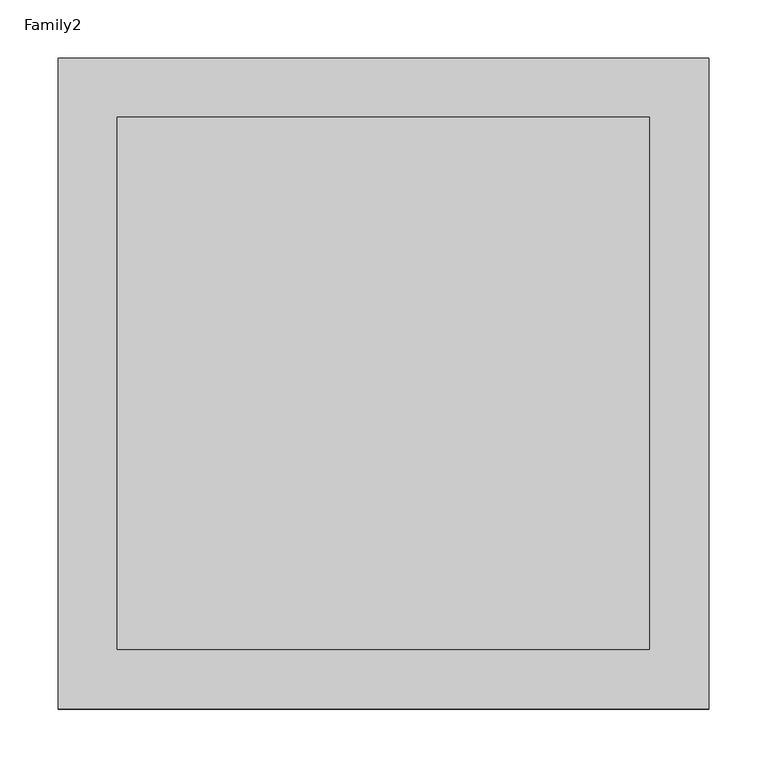
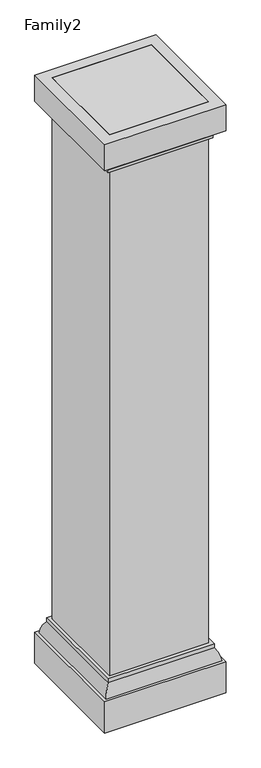
"""IFC4 building model written with IfcOpenShell, lengths in millimetres: column geometry, Family2."""

from ifc_helpers import new_model, si_unit, frame, origin, place, context, project, spatial, polyline, ellipse_curve, outline, extrude, source, transform, mapped, element, save
from ifc_brep_helpers import plane_surface, cylinder_surface, advanced_brep


def family2_76f03a12(model_context):
    return source(origin(), model_context, "Body", "SolidModel", [
        advanced_brep(
        [(-279.4, -279.4, 12.7), (-279.4, -279.4, -139.7), (279.4, -279.4, -139.7), (279.4, -279.4, 12.7), (-244.9817209, -244.9817209, 72.3704814), (-266.7, -266.7, 12.7), (266.7, -266.7, 12.7), (244.9817209, -244.9817209, 72.3704814), (-244.9817209, -244.9817209, 91.4204814), (244.9817209, -244.9817209, 91.4204814), (-228.6, -228.6, -139.7), (-228.6, -228.6, 91.4204814), (228.6, -228.6, 91.4204814), (228.6, -228.6, -139.7), (279.4, 279.4, -139.7), (279.4, 279.4, 12.7), (-279.4, 279.4, -139.7), (-279.4, 279.4, 12.7), (244.9817209, 244.9817209, 72.3704814), (266.7, 266.7, 12.7), (-266.7, 266.7, 12.7), (-244.9817209, 244.9817209, 72.3704814), (244.9817209, 244.9817209, 91.4204814), (-244.9817209, 244.9817209, 91.4204814), (228.6, 228.6, -139.7), (228.6, 228.6, 91.4204814), (-228.6, 228.6, 91.4204814), (-228.6, 228.6, -139.7)],
        [
            (0, 1),
            (1, 2),
            (2, 3),
            (3, 0),
            (4, 5, ellipse_curve(frame((-149.213662, -149.213662, 3.7261143), z_axis=(0.7071067811865475, -0.7071067811865475, 0.0), x_axis=(-0.7071067811865476, -0.7071067811865474, 0.0)), 166.6347517, 117.8285629)),
            (5, 6),
            (6, 7, ellipse_curve(frame((149.213662, -149.213662, 3.7261143), z_axis=(-0.7071067811865475, -0.7071067811865475, 0.0), x_axis=(-0.7071067811865476, 0.7071067811865474, 0.0)), 166.6347517, 117.8285629)),
            (7, 4),
            (8, 4),
            (7, 9),
            (9, 8),
            (10, 11),
            (11, 12),
            (12, 13),
            (13, 10),
            (2, 14),
            (14, 15),
            (15, 3),
            (14, 16),
            (16, 17),
            (17, 15),
            (18, 19, ellipse_curve(frame((149.213662, 149.213662, 3.7261143), z_axis=(-0.7071067811865475, 0.7071067811865475, 0.0), x_axis=(0.7071067811865476, 0.7071067811865474, 0.0)), 166.6347517, 117.8285629)),
            (19, 20),
            (20, 21, ellipse_curve(frame((-149.213662, 149.213662, 3.7261143), z_axis=(0.7071067811865475, 0.7071067811865475, 0.0), x_axis=(0.7071067811865476, -0.7071067811865474, 0.0)), 166.6347517, 117.8285629)),
            (21, 18),
            (6, 19),
            (18, 7),
            (18, 22),
            (22, 9),
            (21, 23),
            (23, 22),
            (24, 25),
            (25, 26),
            (26, 27),
            (27, 24),
            (12, 25),
            (24, 13),
            (16, 1),
            (0, 17),
            (27, 10),
            (5, 20),
            (4, 21),
            (8, 23),
            (11, 26),
        ],
        [
            plane_surface(frame((-279.4, -279.4, -139.7), z_axis=(0.0, -1.0, 0.0), x_axis=(1.0, 0.0, 0.0))),
            cylinder_surface(frame((-228.6, -149.213662, 3.7261143), z_axis=(-1.0, 0.0, 0.0), x_axis=(0.0, 1.0, 0.0)), 117.8285629),
            plane_surface(frame((-244.9817209, -244.9817209, 72.3704814), z_axis=(0.0, -1.0, 0.0), x_axis=(1.0, 0.0, 0.0))),
            plane_surface(frame((-228.6, -228.6, 91.4204814), z_axis=(0.0, 1.0, 0.0), x_axis=(1.0, 0.0, 0.0))),
            plane_surface(frame((279.4, -279.4, -139.7), z_axis=(1.0, 0.0, 0.0), x_axis=(0.0, 1.0, 0.0))),
            plane_surface(frame((279.4, 279.4, -139.7), z_axis=(0.0, 1.0, 0.0), x_axis=(-1.0, 0.0, 0.0))),
            cylinder_surface(frame((228.6, 149.213662, 3.7261143), z_axis=(1.0, 0.0, 0.0), x_axis=(0.0, -1.0, 0.0)), 117.8285629),
            cylinder_surface(frame((149.213662, -228.6, 3.7261143), z_axis=(0.0, -1.0, 0.0), x_axis=(-1.0, 0.0, 0.0)), 117.8285629),
            plane_surface(frame((244.9817209, -244.9817209, 72.3704814), z_axis=(1.0, 0.0, 0.0), x_axis=(0.0, 1.0, 0.0))),
            plane_surface(frame((244.9817209, 244.9817209, 72.3704814), z_axis=(0.0, 1.0, 0.0), x_axis=(-1.0, 0.0, 0.0))),
            plane_surface(frame((228.6, 228.6, 91.4204814), z_axis=(0.0, -1.0, 0.0), x_axis=(-1.0, 0.0, 0.0))),
            plane_surface(frame((228.6, -228.6, 91.4204814), z_axis=(-1.0, 0.0, 0.0), x_axis=(0.0, 1.0, 0.0))),
            plane_surface(frame((-279.4, 279.4, -139.7), z_axis=(-1.0, 0.0, 0.0), x_axis=(0.0, -1.0, 0.0))),
            plane_surface(frame((-228.6, 228.6, -139.7), z_axis=(0.0, 0.0, -1.0), x_axis=(0.0, -1.0, 0.0))),
            plane_surface(frame((-279.4, 279.4, 12.7), z_axis=(0.0, 0.0, 1.0), x_axis=(0.0, -1.0, 0.0))),
            cylinder_surface(frame((-149.213662, 228.6, 3.7261143), z_axis=(0.0, 1.0, 0.0), x_axis=(1.0, 0.0, 0.0)), 117.8285629),
            plane_surface(frame((-244.9817209, 244.9817209, 72.3704814), z_axis=(-1.0, 0.0, 0.0), x_axis=(0.0, -1.0, 0.0))),
            plane_surface(frame((-244.9817209, 244.9817209, 91.4204814), z_axis=(0.0, 0.0, 1.0), x_axis=(0.0, -1.0, 0.0))),
            plane_surface(frame((-228.6, 228.6, 91.4204814), z_axis=(1.0, 0.0, 0.0), x_axis=(0.0, -1.0, 0.0))),
        ],
        [
            (0, [[1, 2, 3, 4]]),
            (1, [[5, 6, 7, 8]]),
            (2, [[9, -8, 10, 11]]),
            (3, [[12, 13, 14, 15]]),
            (4, [[-3, 16, 17, 18]]),
            (5, [[-17, 19, 20, 21]]),
            (6, [[22, 23, 24, 25]]),
            (7, [[-7, 26, -22, 27]]),
            (8, [[-10, -27, 28, 29]]),
            (9, [[-28, -25, 30, 31]]),
            (10, [[32, 33, 34, 35]]),
            (11, [[-14, 36, -32, 37]]),
            (12, [[-20, 38, -1, 39]]),
            (13, [[-38, -19, -16, -2], [-37, -35, 40, -15]]),
            (14, [[-18, -21, -39, -4], [41, -23, -26, -6]]),
            (15, [[-24, -41, -5, 42]]),
            (16, [[-30, -42, -9, 43]]),
            (17, [[-29, -31, -43, -11], [44, -33, -36, -13]]),
            (18, [[-34, -44, -12, -40]]),
        ],
    ),
        advanced_brep(
        [(-228.6, -228.6, 2551.4544321), (-228.6, -228.6, 2724.15), (228.6, -228.6, 2724.15), (228.6, -228.6, 2551.4544321), (-241.3, -241.3, 2564.1544321), (-241.3, -241.3, 2551.4544321), (241.3, -241.3, 2551.4544321), (241.3, -241.3, 2564.1544321), (-260.35, -260.35, 2597.15), (260.35, -260.35, 2597.15), (-279.4, -279.4, 2724.15), (-279.4, -279.4, 2597.15), (279.4, -279.4, 2597.15), (279.4, -279.4, 2724.15), (279.4, 279.4, 2597.15), (279.4, 279.4, 2724.15), (-279.4, 279.4, 2597.15), (-279.4, 279.4, 2724.15), (228.6, 228.6, 2551.4544321), (228.6, 228.6, 2724.15), (-228.6, 228.6, 2724.15), (-228.6, 228.6, 2551.4544321), (241.3, 241.3, 2564.1544321), (241.3, 241.3, 2551.4544321), (-241.3, 241.3, 2551.4544321), (-241.3, 241.3, 2564.1544321), (260.35, 260.35, 2597.15), (-260.35, 260.35, 2597.15)],
        [
            (0, 1),
            (1, 2),
            (2, 3),
            (3, 0),
            (4, 5),
            (5, 6),
            (6, 7),
            (7, 4),
            (8, 4, ellipse_curve(frame((-186.7377737, -186.7377737, 2617.6529934), z_axis=(0.7071067811865475, -0.7071067811865475, 0.0), x_axis=(-0.7071067811865476, -0.7071067811865474, 0.0)), 108.0660224, 76.4142173)),
            (7, 9, ellipse_curve(frame((186.7377737, -186.7377737, 2617.6529934), z_axis=(-0.7071067811865475, -0.7071067811865475, 0.0), x_axis=(-0.7071067811865476, 0.7071067811865474, 0.0)), 108.0660224, 76.4142173)),
            (9, 8),
            (10, 11),
            (11, 12),
            (12, 13),
            (13, 10),
            (12, 14),
            (14, 15),
            (15, 13),
            (14, 16),
            (16, 17),
            (17, 15),
            (18, 19),
            (19, 20),
            (20, 21),
            (21, 18),
            (2, 19),
            (18, 3),
            (22, 23),
            (23, 24),
            (24, 25),
            (25, 22),
            (6, 23),
            (22, 7),
            (22, 26, ellipse_curve(frame((186.7377737, 186.7377737, 2617.6529934), z_axis=(0.7071067811865475, -0.7071067811865475, 0.0), x_axis=(-0.7071067811865474, -0.7071067811865476, 0.0)), 108.0660224, 76.4142173)),
            (26, 9),
            (25, 27, ellipse_curve(frame((-186.7377737, 186.7377737, 2617.6529934), z_axis=(0.7071067811865475, 0.7071067811865475, 0.0), x_axis=(0.7071067811865476, -0.7071067811865474, 0.0)), 108.0660224, 76.4142173)),
            (27, 26),
            (20, 1),
            (0, 21),
            (17, 10),
            (5, 24),
            (4, 25),
            (8, 27),
            (11, 16),
        ],
        [
            plane_surface(frame((-228.6, -228.6, 2724.15), z_axis=(0.0, 1.0, 0.0), x_axis=(1.0, 0.0, 0.0))),
            plane_surface(frame((-241.3, -241.3, 2551.4544321), z_axis=(0.0, -1.0, 0.0), x_axis=(1.0, 0.0, 0.0))),
            cylinder_surface(frame((-228.6, -186.7377737, 2617.6529934), z_axis=(-1.0, 0.0, 0.0), x_axis=(0.0, 1.0, 0.0)), 76.4142173),
            plane_surface(frame((-279.4, -279.4, 2597.15), z_axis=(0.0, -1.0, 0.0), x_axis=(1.0, 0.0, 0.0))),
            plane_surface(frame((279.4, -279.4, 2597.15), z_axis=(1.0, 0.0, 0.0), x_axis=(0.0, 1.0, 0.0))),
            plane_surface(frame((279.4, 279.4, 2597.15), z_axis=(0.0, 1.0, 0.0), x_axis=(-1.0, 0.0, 0.0))),
            plane_surface(frame((228.6, 228.6, 2724.15), z_axis=(0.0, -1.0, 0.0), x_axis=(-1.0, 0.0, 0.0))),
            plane_surface(frame((228.6, -228.6, 2724.15), z_axis=(-1.0, 0.0, 0.0), x_axis=(0.0, 1.0, 0.0))),
            plane_surface(frame((241.3, 241.3, 2551.4544321), z_axis=(0.0, 1.0, 0.0), x_axis=(-1.0, 0.0, 0.0))),
            plane_surface(frame((241.3, -241.3, 2551.4544321), z_axis=(1.0, 0.0, 0.0), x_axis=(0.0, 1.0, 0.0))),
            cylinder_surface(frame((186.7377737, -228.6, 2617.6529934), z_axis=(0.0, -1.0, 0.0), x_axis=(-1.0, 0.0, 0.0)), 76.4142173),
            cylinder_surface(frame((228.6, 186.7377737, 2617.6529934), z_axis=(1.0, 0.0, 0.0), x_axis=(0.0, -1.0, 0.0)), 76.4142173),
            plane_surface(frame((-228.6, 228.6, 2724.15), z_axis=(1.0, 0.0, 0.0), x_axis=(0.0, -1.0, 0.0))),
            plane_surface(frame((-279.4, 279.4, 2724.15), z_axis=(0.0, 0.0, 1.0), x_axis=(0.0, -1.0, 0.0))),
            plane_surface(frame((-228.6, 228.6, 2551.4544321), z_axis=(0.0, 0.0, -1.0), x_axis=(0.0, -1.0, 0.0))),
            plane_surface(frame((-241.3, 241.3, 2551.4544321), z_axis=(-1.0, 0.0, 0.0), x_axis=(0.0, -1.0, 0.0))),
            cylinder_surface(frame((-186.7377737, 228.6, 2617.6529934), z_axis=(0.0, 1.0, 0.0), x_axis=(1.0, 0.0, 0.0)), 76.4142173),
            plane_surface(frame((-260.35, 260.35, 2597.15), z_axis=(0.0, 0.0, -1.0), x_axis=(0.0, -1.0, 0.0))),
            plane_surface(frame((-279.4, 279.4, 2597.15), z_axis=(-1.0, 0.0, 0.0), x_axis=(0.0, -1.0, 0.0))),
        ],
        [
            (0, [[1, 2, 3, 4]]),
            (1, [[5, 6, 7, 8]]),
            (2, [[9, -8, 10, 11]]),
            (3, [[12, 13, 14, 15]]),
            (4, [[-14, 16, 17, 18]]),
            (5, [[-17, 19, 20, 21]]),
            (6, [[22, 23, 24, 25]]),
            (7, [[-3, 26, -22, 27]]),
            (8, [[28, 29, 30, 31]]),
            (9, [[-7, 32, -28, 33]]),
            (10, [[-10, -33, 34, 35]]),
            (11, [[-34, -31, 36, 37]]),
            (12, [[-24, 38, -1, 39]]),
            (13, [[-18, -21, 40, -15], [-38, -23, -26, -2]]),
            (14, [[41, -29, -32, -6], [-27, -25, -39, -4]]),
            (15, [[-30, -41, -5, 42]]),
            (16, [[-36, -42, -9, 43]]),
            (17, [[44, -19, -16, -13], [-35, -37, -43, -11]]),
            (18, [[-20, -44, -12, -40]]),
        ],
    ),
        extrude(outline(polyline([(228.6, -228.6), (-228.6, -228.6), (-228.6, 228.6), (228.6, 228.6), (228.6, -228.6)])), frame((0.0, 0.0, -139.7), z_axis=(0.0, 0.0, 1.0), x_axis=(1.0, 0.0, 0.0)), (0.0, 0.0, 1.0), 2863.85),
    ])


if __name__ == "__main__":
    model = new_model("IFC4")
    model_context = context("Model", 3, world=origin())
    ifc_project = project(units=[si_unit("LENGTHUNIT", "METRE", prefix="MILLI")], contexts=[model_context])
    site = spatial("IfcSite", under=ifc_project)
    building = spatial("IfcBuilding", under=site)
    placement = place(None, origin())
    family2_shape = family2_76f03a12(model_context)
    element("IfcColumn", 1, ObjectType="Family2", at=placement, inside=building, context=model_context, shape_type="MappedRepresentation", body=[
        mapped(family2_shape, transform((0.0, 0.0, 0.0), x_axis=(1.0, 0.0, 0.0), y_axis=(0.0, 1.0, 0.0), z_axis=(0.0, 0.0, 1.0))),
    ])
    save(model, "model.ifc")
